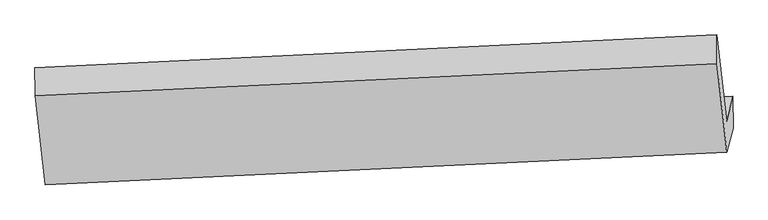
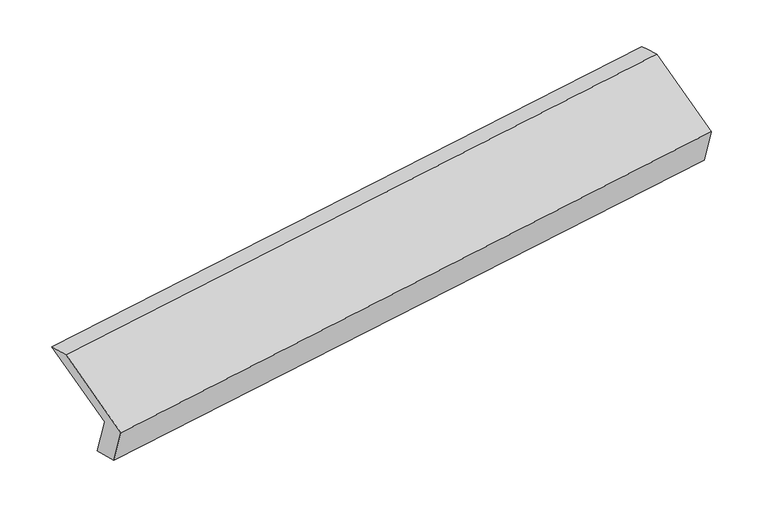
"""IFC4 building model written with IfcOpenShell, lengths in millimetres: proxy geometry."""

from ifc_helpers import new_model, si_unit, frame, origin, place, context, project, spatial, source, transform, mapped, element, save
from ifc_brep_helpers import plane_surface, spline_surface, advanced_brep


def generic_models_590ffdf5(model_context):
    return source(origin(), model_context, "Body", "AdvancedBrep", [
        advanced_brep(
        [(-5166.6559326, -1597.6395516, 1230.1249221), (-5210.7609953, -1770.6676331, 1587.8217502), (-498.2470963, -1544.1276728, 2267.2955098), (-454.1420337, -1371.0995913, 1909.5986818), (-5165.3286978, -1817.6761399, 1287.0054015), (-452.8147988, -1591.1361796, 1966.4791612), (-5207.2273417, -1982.0482445, 1626.8079349), (-495.8166521, -1759.8362727, 2315.2288419), (-5275.5244143, -1367.4765498, 1915.6724328), (-564.1137247, -1145.264578, 2604.0933398), (-5277.056687, -1174.1053787, 1868.221348), (-564.542788, -947.5654184, 2547.6951077)],
        [
            (0, 1),
            (1, 2),
            (2, 3),
            (3, 0),
            (4, 0),
            (3, 5),
            (5, 4),
            (6, 4),
            (5, 7),
            (7, 6),
            (8, 6),
            (7, 9),
            (9, 8),
            (10, 8),
            (9, 11),
            (11, 10),
            (1, 10),
            (11, 2),
        ],
        [
            plane_surface(frame((-5188.7084639, -1684.1535923, 1408.9733361), z_axis=(-0.10421720496733994, 0.900284339834453, 0.42264273522401713), x_axis=(-0.1103209372045405, -0.4327988437293338, 0.894714732012871))),
            plane_surface(frame((-5165.9923152, -1707.6578457, 1258.5651618), z_axis=(0.14990497585055446, -0.24660180818404767, -0.9574528951418984), x_axis=(-0.005839813064590831, 0.9681576323629416, -0.2502732416395208))),
            plane_surface(frame((-5186.2780197, -1899.8621922, 1456.9066682), z_axis=(0.10421720496733664, -0.9002843398344536, -0.42264273522401713), x_axis=(0.11032093720454031, 0.43279884372933336, -0.8947147320128713))),
            plane_surface(frame((-5241.375878, -1674.7623972, 1771.2401838), z_axis=(-0.11032093720454093, -0.43279884372934, 0.894714732012868), x_axis=(0.10006904537212581, -0.900472018173695, -0.42324500073185056))),
            spline_surface(1, 1, [[(-5277.056687, -1174.1053787, 1868.221348), (-564.542788, -947.5654184, 2547.6951077)], [(-5275.5244143, -1367.4765498, 1915.6724328), (-564.1137247, -1145.264578, 2604.0933398)]], [2, 2], [2, 2], [0.0, 1.0], [0.0, 1.0]),
            plane_surface(frame((-5243.9088411, -1472.3865059, 1728.0215491), z_axis=(0.10824616049790638, 0.4327080147613496, -0.8950120349463204), x_axis=(-0.10006904537213136, 0.9004720181736984, 0.4232450007318422))),
            plane_surface(frame((-504.9461823, -1393.1716188, 2268.3984404), z_axis=(0.9888455273563328, 0.04284046396503131, 0.14265068410154014), x_axis=(0.10006904537212581, -0.900472018173695, -0.42324500073185056))),
            plane_surface(frame((-5217.0923448, -1618.2689163, 1585.9422982), z_axis=(-0.9888455273563318, -0.04284046396503875, -0.1426506841015441), x_axis=(0.11032093720454067, 0.4327988437293338, -0.894714732012871))),
        ],
        [
            (0, [[1, 2, 3, 4]]),
            (1, [[5, -4, 6, 7]]),
            (2, [[8, -7, 9, 10]]),
            (3, [[11, -10, 12, 13]]),
            (4, [[14, -13, 15, 16]]),
            (5, [[17, -16, 18, -2]]),
            (6, [[-12, -9, -6, -3, -18, -15]]),
            (7, [[-1, -5, -8, -11, -14, -17]]),
        ],
    ),
    ])


if __name__ == "__main__":
    model = new_model("IFC4")
    model_context = context("Model", 3, world=origin())
    ifc_project = project(units=[si_unit("LENGTHUNIT", "METRE", prefix="MILLI")], contexts=[model_context])
    site = spatial("IfcSite", under=ifc_project)
    building = spatial("IfcBuilding", under=site)
    placement = place(None, origin())
    generic_models_shape = generic_models_590ffdf5(model_context)
    element("IfcBuildingElementProxy", 1, Name="Generic Models", at=placement, inside=building, context=model_context, shape_type="MappedRepresentation", body=[
        mapped(generic_models_shape, transform((0.0, 0.0, 0.0), x_axis=(1.0, 0.0, 0.0), y_axis=(0.0, 1.0, 0.0), z_axis=(0.0, 0.0, 1.0))),
    ])
    save(model, "model.ifc")
